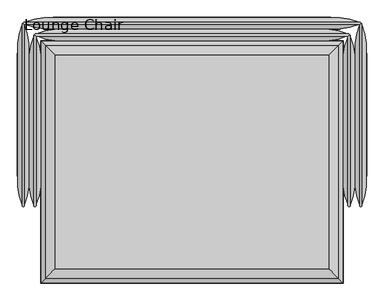
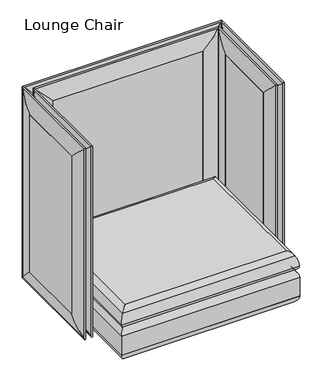
"""IFC4 building model written with IfcOpenShell, lengths in millimetres: furniture geometry, Lounge Chair."""

from ifc_helpers import new_model, si_unit, frame, origin, place, context, project, spatial, polyline, ellipse_curve, outline, extrude, source, transform, mapped, element, save
from ifc_brep_helpers import plane_surface, cylinder_surface, advanced_brep


def lounge_chair_bb9e51d9(model_context):
    return source(origin(), model_context, "Body", "SolidModel", [
        advanced_brep(
        [(476.25, -403.225, 329.9006118), (476.25, 352.425, 329.9006118), (-476.25, 352.425, 329.9006118), (-476.25, -403.225, 329.9006118), (476.25, 352.425, 142.5756118), (476.25, -403.225, 142.5756118), (-476.25, -403.225, 142.5756118), (-476.25, 352.425, 142.5756118), (495.2861528, 371.4611528, 291.910987), (495.2861528, -422.2611528, 291.910987), (495.3, 371.475, 181.4038342), (495.3, 371.475, 291.0723894), (495.3, -422.275, 291.0723894), (495.3, -422.275, 181.4038342), (495.2861528, 371.4611528, 180.5652366), (495.2861528, -422.2611528, 180.5652366), (-495.2861528, -422.2611528, 291.910987), (-495.3, -422.275, 291.0723894), (-495.3, -422.275, 181.4038342), (-495.2861528, -422.2611528, 180.5652366), (-495.2861528, 371.4611528, 291.910987), (-495.3, 371.475, 291.0723894), (-495.3, 371.475, 181.4038342), (-495.2861528, 371.4611528, 180.5652366)],
        [
            (0, 1),
            (1, 2),
            (2, 3),
            (3, 0),
            (4, 5),
            (5, 6),
            (6, 7),
            (7, 4),
            (8, 1, ellipse_curve(frame((444.5138472, 320.6888472, 290.2337918), z_axis=(0.7071067811865475, -0.7071067811865475, 0.0), x_axis=(0.7071067811865474, 0.7071067811865476, 0.0)), 71.842049, 50.8)),
            (0, 9, ellipse_curve(frame((444.5138472, -371.4888472, 290.2337918), z_axis=(0.7071067811865475, 0.7071067811865475, 0.0), x_axis=(-0.7071067811865474, 0.7071067811865476, 0.0)), 71.842049, 50.8)),
            (9, 8),
            (10, 11),
            (11, 12),
            (12, 13),
            (13, 10),
            (4, 14, ellipse_curve(frame((444.5138472, 320.6888472, 182.2424317), z_axis=(0.7071067811865475, -0.7071067811865475, 0.0), x_axis=(0.7071067811865474, 0.7071067811865476, 0.0)), 71.842049, 50.8)),
            (14, 15),
            (15, 5, ellipse_curve(frame((444.5138472, -371.4888472, 182.2424317), z_axis=(0.7071067811865475, 0.7071067811865475, 0.0), x_axis=(-0.7071067811865474, 0.7071067811865476, 0.0)), 71.842049, 50.8)),
            (3, 16, ellipse_curve(frame((-444.5138472, -371.4888472, 290.2337918), z_axis=(0.7071067811865475, -0.7071067811865475, 0.0), x_axis=(0.7071067811865476, 0.7071067811865474, 0.0)), 71.842049, 50.8)),
            (16, 9),
            (12, 17),
            (17, 18),
            (18, 13),
            (15, 19),
            (19, 6, ellipse_curve(frame((-444.5138472, -371.4888472, 182.2424317), z_axis=(0.7071067811865475, -0.7071067811865475, 0.0), x_axis=(0.7071067811865476, 0.7071067811865474, 0.0)), 71.842049, 50.8)),
            (2, 20, ellipse_curve(frame((-444.5138472, 320.6888472, 290.2337918), z_axis=(-0.7071067811865475, -0.7071067811865475, 0.0), x_axis=(0.7071067811865474, -0.7071067811865476, 0.0)), 71.842049, 50.8)),
            (20, 16),
            (17, 21),
            (21, 22),
            (22, 18),
            (19, 23),
            (23, 7, ellipse_curve(frame((-444.5138472, 320.6888472, 182.2424317), z_axis=(-0.7071067811865475, -0.7071067811865475, 0.0), x_axis=(0.7071067811865474, -0.7071067811865476, 0.0)), 71.842049, 50.8)),
            (8, 20),
            (10, 22),
            (21, 11),
            (23, 14),
            (9, 12, ellipse_curve(frame((469.9, -396.875, 291.0723894), z_axis=(0.7071067811865475, 0.7071067811865475, 0.0), x_axis=(-0.7071067811865474, 0.7071067811865476, 0.0)), 35.9210245, 25.4)),
            (11, 8, ellipse_curve(frame((469.9, 346.075, 291.0723894), z_axis=(0.7071067811865475, -0.7071067811865475, 0.0), x_axis=(0.7071067811865474, 0.7071067811865476, 0.0)), 35.9210245, 25.4)),
            (13, 15, ellipse_curve(frame((469.9, -396.875, 181.4038342), z_axis=(0.7071067811865475, 0.7071067811865475, 0.0), x_axis=(-0.7071067811865474, 0.7071067811865476, 0.0)), 35.9210245, 25.4)),
            (14, 10, ellipse_curve(frame((469.9, 346.075, 181.4038342), z_axis=(0.7071067811865475, -0.7071067811865475, 0.0), x_axis=(0.7071067811865474, 0.7071067811865476, 0.0)), 35.9210245, 25.4)),
            (16, 17, ellipse_curve(frame((-469.9, -396.875, 291.0723894), z_axis=(0.7071067811865475, -0.7071067811865475, 0.0), x_axis=(0.7071067811865476, 0.7071067811865474, 0.0)), 35.9210245, 25.4)),
            (18, 19, ellipse_curve(frame((-469.9, -396.875, 181.4038342), z_axis=(0.7071067811865475, -0.7071067811865475, 0.0), x_axis=(0.7071067811865476, 0.7071067811865474, 0.0)), 35.9210245, 25.4)),
            (20, 21, ellipse_curve(frame((-469.9, 346.075, 291.0723894), z_axis=(-0.7071067811865475, -0.7071067811865475, 0.0), x_axis=(0.7071067811865474, -0.7071067811865476, 0.0)), 35.9210245, 25.4)),
            (22, 23, ellipse_curve(frame((-469.9, 346.075, 181.4038342), z_axis=(-0.7071067811865475, -0.7071067811865475, 0.0), x_axis=(0.7071067811865474, -0.7071067811865476, 0.0)), 35.9210245, 25.4)),
        ],
        [
            plane_surface(frame((-476.25, 352.425, 329.9006118), z_axis=(0.0, 0.0, 1.0), x_axis=(-1.0, 0.0, 0.0))),
            plane_surface(frame((-476.25, 352.425, 142.5756118), z_axis=(0.0, 0.0, -1.0), x_axis=(1.0, 0.0, 0.0))),
            cylinder_surface(frame((444.5138472, 371.475, 290.2337918), z_axis=(0.0, 1.0, 0.0), x_axis=(1.0, 0.0, 0.0)), 50.8),
            plane_surface(frame((495.3, 371.475, 291.0723894), z_axis=(1.0, 0.0, 0.0), x_axis=(0.0, -1.0, 0.0))),
            cylinder_surface(frame((444.5138472, 371.475, 182.2424317), z_axis=(0.0, 1.0, 0.0), x_axis=(1.0, 0.0, 0.0)), 50.8),
            cylinder_surface(frame((495.3, -371.4888472, 290.2337918), z_axis=(1.0, 0.0, 0.0), x_axis=(0.0, -1.0, 0.0)), 50.8),
            plane_surface(frame((495.3, -422.275, 291.0723894), z_axis=(0.0, -1.0, 0.0), x_axis=(-1.0, 0.0, 0.0))),
            cylinder_surface(frame((495.3, -371.4888472, 182.2424317), z_axis=(1.0, 0.0, 0.0), x_axis=(0.0, -1.0, 0.0)), 50.8),
            cylinder_surface(frame((-444.5138472, -422.275, 290.2337918), z_axis=(0.0, -1.0, 0.0), x_axis=(-1.0, 0.0, 0.0)), 50.8),
            plane_surface(frame((-495.3, -422.275, 291.0723894), z_axis=(-1.0, 0.0, 0.0), x_axis=(0.0, 1.0, 0.0))),
            cylinder_surface(frame((-444.5138472, -422.275, 182.2424317), z_axis=(0.0, -1.0, 0.0), x_axis=(-1.0, 0.0, 0.0)), 50.8),
            cylinder_surface(frame((-495.3, 320.6888472, 290.2337918), z_axis=(-1.0, 0.0, 0.0), x_axis=(0.0, 1.0, 0.0)), 50.8),
            plane_surface(frame((-495.3, 371.475, 291.0723894), z_axis=(0.0, 1.0, 0.0), x_axis=(1.0, 0.0, 0.0))),
            cylinder_surface(frame((-495.3, 320.6888472, 182.2424317), z_axis=(-1.0, 0.0, 0.0), x_axis=(0.0, 1.0, 0.0)), 50.8),
            cylinder_surface(frame((469.9, 371.475, 291.0723894), z_axis=(0.0, 1.0, 0.0), x_axis=(1.0, 0.0, 0.0)), 25.4),
            cylinder_surface(frame((469.9, 371.475, 181.4038342), z_axis=(0.0, 1.0, 0.0), x_axis=(1.0, 0.0, 0.0)), 25.4),
            cylinder_surface(frame((495.3, -396.875, 291.0723894), z_axis=(1.0, 0.0, 0.0), x_axis=(0.0, -1.0, 0.0)), 25.4),
            cylinder_surface(frame((495.3, -396.875, 181.4038342), z_axis=(1.0, 0.0, 0.0), x_axis=(0.0, -1.0, 0.0)), 25.4),
            cylinder_surface(frame((-469.9, -422.275, 291.0723894), z_axis=(0.0, -1.0, 0.0), x_axis=(-1.0, 0.0, 0.0)), 25.4),
            cylinder_surface(frame((-469.9, -422.275, 181.4038342), z_axis=(0.0, -1.0, 0.0), x_axis=(-1.0, 0.0, 0.0)), 25.4),
            cylinder_surface(frame((-495.3, 346.075, 291.0723894), z_axis=(-1.0, 0.0, 0.0), x_axis=(0.0, 1.0, 0.0)), 25.4),
            cylinder_surface(frame((-495.3, 346.075, 181.4038342), z_axis=(-1.0, 0.0, 0.0), x_axis=(0.0, 1.0, 0.0)), 25.4),
        ],
        [
            (0, [[1, 2, 3, 4]]),
            (1, [[5, 6, 7, 8]]),
            (2, [[9, -1, 10, 11]]),
            (3, [[12, 13, 14, 15]]),
            (4, [[16, 17, 18, -5]]),
            (5, [[-10, -4, 19, 20]]),
            (6, [[-14, 21, 22, 23]]),
            (7, [[-18, 24, 25, -6]]),
            (8, [[-19, -3, 26, 27]]),
            (9, [[-22, 28, 29, 30]]),
            (10, [[-25, 31, 32, -7]]),
            (11, [[-9, 33, -26, -2]]),
            (12, [[-12, 34, -29, 35]]),
            (13, [[-16, -8, -32, 36]]),
            (14, [[-11, 37, -13, 38]]),
            (15, [[-15, 39, -17, 40]]),
            (16, [[-20, 41, -21, -37]]),
            (17, [[-23, 42, -24, -39]]),
            (18, [[-27, 43, -28, -41]]),
            (19, [[-30, 44, -31, -42]]),
            (20, [[-33, -38, -35, -43]]),
            (21, [[-34, -40, -36, -44]]),
        ],
    ),
        advanced_brep(
        [(468.7881705, -395.7631705, 330.2), (-468.7881705, -395.7631705, 330.2), (-468.7881705, 344.9631705, 330.2), (468.7881705, 344.9631705, 330.2), (494.1861903, 370.3611903, 355.9171647), (494.1861903, -421.1611903, 355.9171647), (-494.1861903, -421.1611903, 355.9171647), (-494.1861903, 370.3611903, 355.9171647), (447.675, -374.65, 434.975), (447.675, 323.85, 434.975), (-447.675, 323.85, 434.975), (-447.675, -374.65, 434.975), (478.9316677, 355.1066677, 412.0276231), (478.9316677, -405.9066677, 412.0276231), (-478.9316677, -405.9066677, 412.0276231), (-478.9316677, 355.1066677, 412.0276231)],
        [
            (0, 1),
            (1, 2),
            (2, 3),
            (3, 0),
            (3, 4, ellipse_curve(frame((468.7881705, 344.9631705, 355.6), z_axis=(0.7071067811865478, -0.7071067811865471, 0.0), x_axis=(0.707106781186547, 0.707106781186548, 0.0)), 35.9210245, 25.4)),
            (4, 5),
            (5, 0, ellipse_curve(frame((468.7881705, -395.7631705, 355.6), z_axis=(0.7071067811865471, 0.7071067811865478, 0.0), x_axis=(-0.7071067811865476, 0.7071067811865474, 0.0)), 35.9210245, 25.4)),
            (5, 6),
            (6, 1, ellipse_curve(frame((-468.7881705, -395.7631705, 355.6), z_axis=(0.7071067811865478, -0.7071067811865471, 0.0), x_axis=(0.7071067811865474, 0.7071067811865476, 0.0)), 35.9210245, 25.4)),
            (6, 7),
            (7, 2, ellipse_curve(frame((-468.7881705, 344.9631705, 355.6), z_axis=(-0.7071067811865471, -0.7071067811865478, 0.0), x_axis=(0.7071067811865476, -0.7071067811865474, 0.0)), 35.9210245, 25.4)),
            (7, 4),
            (8, 9),
            (9, 10),
            (10, 11),
            (11, 8),
            (12, 9, ellipse_curve(frame((437.5481381, 313.7231381, 388.4201083), z_axis=(0.7071067811865478, -0.7071067811865471, 0.0), x_axis=(0.707106781186547, 0.707106781186548, 0.0)), 67.3782053, 47.6435859)),
            (8, 13, ellipse_curve(frame((437.5481381, -364.5231381, 388.4201083), z_axis=(0.7071067811865471, 0.7071067811865478, 0.0), x_axis=(-0.7071067811865476, 0.7071067811865474, 0.0)), 67.3782053, 47.6435859)),
            (13, 12),
            (4, 12, ellipse_curve(frame((378.0282966, 254.2032966, 354.4666114), z_axis=(0.7071067811865478, -0.7071067811865471, 0.0), x_axis=(0.707106781186547, 0.707106781186548, 0.0)), 164.2848767, 116.1669504)),
            (13, 5, ellipse_curve(frame((378.0282966, -305.0032966, 354.4666114), z_axis=(0.7071067811865471, 0.7071067811865478, 0.0), x_axis=(-0.7071067811865476, 0.7071067811865474, 0.0)), 164.2848767, 116.1669504)),
            (11, 14, ellipse_curve(frame((-437.5481381, -364.5231381, 388.4201083), z_axis=(0.7071067811865478, -0.7071067811865471, 0.0), x_axis=(0.7071067811865474, 0.7071067811865476, 0.0)), 67.3782053, 47.6435859)),
            (14, 13),
            (14, 6, ellipse_curve(frame((-378.0282966, -305.0032966, 354.4666114), z_axis=(0.7071067811865478, -0.7071067811865471, 0.0), x_axis=(0.7071067811865474, 0.7071067811865476, 0.0)), 164.2848767, 116.1669504)),
            (10, 15, ellipse_curve(frame((-437.5481381, 313.7231381, 388.4201083), z_axis=(-0.7071067811865471, -0.7071067811865478, 0.0), x_axis=(0.7071067811865476, -0.7071067811865474, 0.0)), 67.3782053, 47.6435859)),
            (15, 14),
            (15, 7, ellipse_curve(frame((-378.0282966, 254.2032966, 354.4666114), z_axis=(-0.7071067811865471, -0.7071067811865478, 0.0), x_axis=(0.7071067811865476, -0.7071067811865474, 0.0)), 164.2848767, 116.1669504)),
            (12, 15),
        ],
        [
            plane_surface(frame((-468.7881705, 344.9631705, 330.2), z_axis=(0.0, 0.0, -1.0), x_axis=(1.0, 0.0, 0.0))),
            cylinder_surface(frame((468.7881705, 371.475, 355.6), z_axis=(0.0, 1.0000000000000002, 0.0), x_axis=(1.0000000000000002, 0.0, 0.0)), 25.4),
            cylinder_surface(frame((495.3, -395.7631705, 355.6), z_axis=(1.0000000000000002, 0.0, 0.0), x_axis=(0.0, -1.0000000000000002, 0.0)), 25.4),
            cylinder_surface(frame((-468.7881705, -422.275, 355.6), z_axis=(0.0, -1.0000000000000002, 0.0), x_axis=(-1.0000000000000002, 0.0, 0.0)), 25.4),
            cylinder_surface(frame((-495.3, 344.9631705, 355.6), z_axis=(-1.0000000000000002, 0.0, 0.0), x_axis=(0.0, 1.0000000000000002, 0.0)), 25.4),
            plane_surface(frame((-447.675, 323.85, 434.975), z_axis=(0.0, 0.0, 1.0), x_axis=(-1.0, 0.0, 0.0))),
            cylinder_surface(frame((437.5481381, 371.475, 388.4201083), z_axis=(0.0, 1.0000000000000002, 0.0), x_axis=(1.0000000000000002, 0.0, 0.0)), 47.6435859),
            cylinder_surface(frame((378.0282966, 371.475, 354.4666114), z_axis=(0.0, 1.0000000000000002, 0.0), x_axis=(1.0000000000000002, 0.0, 0.0)), 116.1669504),
            cylinder_surface(frame((495.3, -364.5231381, 388.4201083), z_axis=(1.0000000000000002, 0.0, 0.0), x_axis=(0.0, -1.0000000000000002, 0.0)), 47.6435859),
            cylinder_surface(frame((495.3, -305.0032966, 354.4666114), z_axis=(1.0000000000000002, 0.0, 0.0), x_axis=(0.0, -1.0000000000000002, 0.0)), 116.1669504),
            cylinder_surface(frame((-437.5481381, -422.275, 388.4201083), z_axis=(0.0, -1.0000000000000002, 0.0), x_axis=(-1.0000000000000002, 0.0, 0.0)), 47.6435859),
            cylinder_surface(frame((-378.0282966, -422.275, 354.4666114), z_axis=(0.0, -1.0000000000000002, 0.0), x_axis=(-1.0000000000000002, 0.0, 0.0)), 116.1669504),
            cylinder_surface(frame((-495.3, 313.7231381, 388.4201083), z_axis=(-1.0000000000000002, 0.0, 0.0), x_axis=(0.0, 1.0000000000000002, 0.0)), 47.6435859),
            cylinder_surface(frame((-495.3, 254.2032966, 354.4666114), z_axis=(-1.0000000000000002, 0.0, 0.0), x_axis=(0.0, 1.0000000000000002, 0.0)), 116.1669504),
        ],
        [
            (0, [[1, 2, 3, 4]]),
            (1, [[-4, 5, 6, 7]]),
            (2, [[-1, -7, 8, 9]]),
            (3, [[-2, -9, 10, 11]]),
            (4, [[-3, -11, 12, -5]]),
            (5, [[13, 14, 15, 16]]),
            (6, [[17, -13, 18, 19]]),
            (7, [[-6, 20, -19, 21]]),
            (8, [[-18, -16, 22, 23]]),
            (9, [[-8, -21, -23, 24]]),
            (10, [[-22, -15, 25, 26]]),
            (11, [[-10, -24, -26, 27]]),
            (12, [[-17, 28, -25, -14]]),
            (13, [[-12, -27, -28, -20]]),
        ],
    ),
        advanced_brep(
        [(-454.025, 410.5220019, 1163.5628297), (-547.1563317, 425.266915, 1256.6941614), (-547.1563317, 425.266915, 145.8277373), (-454.025, 410.5220019, 238.959069), (-454.025, 446.7279981, 1163.5628297), (-454.025, 446.7279981, 238.959069), (-547.1563317, 431.983085, 1256.6941614), (-547.1563317, 431.983085, 145.8277373), (547.1563317, 425.266915, 145.8277373), (454.025, 410.5220019, 238.959069), (454.025, 446.7279981, 238.959069), (547.1563317, 431.983085, 145.8277373), (547.1563317, 425.266915, 1256.6941614), (454.025, 410.5220019, 1163.5628297), (454.025, 446.7279981, 1163.5628297), (547.1563317, 431.983085, 1256.6941614)],
        [
            (0, 1, ellipse_curve(frame((-472.7217286, 593.9193158, 1182.2595584), z_axis=(-0.7071067811865475, 0.0, -0.7071067811865475), x_axis=(-0.7071067811865474, 0.0, 0.7071067811865476)), 260.707278, 184.3478842)),
            (1, 2),
            (2, 3, ellipse_curve(frame((-472.7217286, 593.9193158, 220.2623404), z_axis=(-0.7071067811865475, 0.0, 0.7071067811865475), x_axis=(0.7071067811865474, 0.0, 0.7071067811865476)), 260.707278, 184.3478842)),
            (3, 0),
            (4, 0),
            (3, 5),
            (5, 4),
            (6, 4, ellipse_curve(frame((-472.7217286, 263.3306842, 1182.2595584), z_axis=(-0.7071067811865475, 0.0, -0.7071067811865475), x_axis=(-0.7071067811865474, 0.0, 0.7071067811865476)), 260.707278, 184.3478842)),
            (5, 7, ellipse_curve(frame((-472.7217286, 263.3306842, 220.2623404), z_axis=(-0.7071067811865475, 0.0, 0.7071067811865475), x_axis=(0.7071067811865474, 0.0, 0.7071067811865476)), 260.707278, 184.3478842)),
            (7, 6),
            (1, 6, ellipse_curve(frame((-548.7744455, 428.625, 1258.3122753), z_axis=(-0.7071067811865475, 0.0, -0.7071067811865475), x_axis=(-0.7071067811865474, 0.0, 0.7071067811865476)), 5.2716273, 3.7276034)),
            (7, 2, ellipse_curve(frame((-548.7744455, 428.625, 144.2096235), z_axis=(-0.7071067811865475, 0.0, 0.7071067811865475), x_axis=(0.7071067811865474, 0.0, 0.7071067811865476)), 5.2716273, 3.7276034)),
            (2, 8),
            (8, 9, ellipse_curve(frame((472.7217286, 593.9193158, 220.2623404), z_axis=(-0.7071067811865475, 0.0, -0.7071067811865475), x_axis=(-0.7071067811865476, 0.0, 0.7071067811865474)), 260.707278, 184.3478842)),
            (9, 3),
            (9, 10),
            (10, 5),
            (10, 11, ellipse_curve(frame((472.7217286, 263.3306842, 220.2623404), z_axis=(-0.7071067811865475, 0.0, -0.7071067811865475), x_axis=(-0.7071067811865476, 0.0, 0.7071067811865474)), 260.707278, 184.3478842)),
            (11, 7),
            (11, 8, ellipse_curve(frame((548.7744455, 428.625, 144.2096235), z_axis=(-0.7071067811865475, 0.0, -0.7071067811865475), x_axis=(-0.7071067811865476, 0.0, 0.7071067811865474)), 5.2716273, 3.7276034)),
            (8, 12),
            (12, 13, ellipse_curve(frame((472.7217286, 593.9193158, 1182.2595584), z_axis=(0.7071067811865475, 0.0, -0.7071067811865475), x_axis=(-0.7071067811865474, 0.0, -0.7071067811865476)), 260.707278, 184.3478842)),
            (13, 9),
            (13, 14),
            (14, 10),
            (14, 15, ellipse_curve(frame((472.7217286, 263.3306842, 1182.2595584), z_axis=(0.7071067811865475, 0.0, -0.7071067811865475), x_axis=(-0.7071067811865474, 0.0, -0.7071067811865476)), 260.707278, 184.3478842)),
            (15, 11),
            (15, 12, ellipse_curve(frame((548.7744455, 428.625, 1258.3122753), z_axis=(0.7071067811865475, 0.0, -0.7071067811865475), x_axis=(-0.7071067811865474, 0.0, -0.7071067811865476)), 5.2716273, 3.7276034)),
            (12, 1),
            (0, 13),
            (4, 14),
            (6, 15),
        ],
        [
            cylinder_surface(frame((-472.7217286, 593.9193158, 1163.5628297), z_axis=(0.0, 0.0, 1.0), x_axis=(0.0, -1.0000000000000002, 0.0)), 184.3478842),
            plane_surface(frame((-454.025, 410.5220019, 1163.5628297), z_axis=(1.0, 0.0, 0.0), x_axis=(0.0, 0.0, -1.0))),
            cylinder_surface(frame((-472.7217286, 263.3306842, 1163.5628297), z_axis=(0.0, 0.0, 1.0), x_axis=(0.0, -1.0000000000000002, 0.0)), 184.3478842),
            cylinder_surface(frame((-548.7744455, 428.625, 1163.5628297), z_axis=(0.0, 0.0, 1.0), x_axis=(0.0, -1.0000000000000002, 0.0)), 3.7276034),
            cylinder_surface(frame((-454.025, 593.9193158, 220.2623404), z_axis=(-1.0000000000000002, 0.0, 0.0), x_axis=(0.0, -1.0000000000000002, 0.0)), 184.3478842),
            plane_surface(frame((-454.025, 410.5220019, 238.959069), z_axis=(0.0, 0.0, 1.0), x_axis=(1.0, 0.0, 0.0))),
            cylinder_surface(frame((-454.025, 263.3306842, 220.2623404), z_axis=(-1.0000000000000002, 0.0, 0.0), x_axis=(0.0, -1.0000000000000002, 0.0)), 184.3478842),
            cylinder_surface(frame((-454.025, 428.625, 144.2096235), z_axis=(-1.0000000000000002, 0.0, 0.0), x_axis=(0.0, -1.0000000000000002, 0.0)), 3.7276034),
            cylinder_surface(frame((472.7217286, 593.9193158, 238.959069), z_axis=(0.0, 0.0, -1.0), x_axis=(0.0, -1.0000000000000002, 0.0)), 184.3478842),
            plane_surface(frame((454.025, 410.5220019, 238.959069), z_axis=(-1.0, 0.0, 0.0), x_axis=(0.0, 0.0, 1.0))),
            cylinder_surface(frame((472.7217286, 263.3306842, 238.959069), z_axis=(0.0, 0.0, -1.0), x_axis=(0.0, -1.0000000000000002, 0.0)), 184.3478842),
            cylinder_surface(frame((548.7744455, 428.625, 238.959069), z_axis=(0.0, 0.0, -1.0), x_axis=(0.0, -1.0000000000000002, 0.0)), 3.7276034),
            cylinder_surface(frame((454.025, 593.9193158, 1182.2595584), z_axis=(1.0000000000000002, 0.0, 0.0), x_axis=(0.0, -1.0000000000000002, 0.0)), 184.3478842),
            plane_surface(frame((454.025, 410.5220019, 1163.5628297), z_axis=(0.0, 0.0, -1.0), x_axis=(-1.0, 0.0, 0.0))),
            cylinder_surface(frame((454.025, 263.3306842, 1182.2595584), z_axis=(1.0000000000000002, 0.0, 0.0), x_axis=(0.0, -1.0000000000000002, 0.0)), 184.3478842),
            cylinder_surface(frame((454.025, 428.625, 1258.3122753), z_axis=(1.0000000000000002, 0.0, 0.0), x_axis=(0.0, -1.0000000000000002, 0.0)), 3.7276034),
        ],
        [
            (0, [[1, 2, 3, 4]]),
            (1, [[5, -4, 6, 7]]),
            (2, [[8, -7, 9, 10]]),
            (3, [[11, -10, 12, -2]]),
            (4, [[-3, 13, 14, 15]]),
            (5, [[-6, -15, 16, 17]]),
            (6, [[-9, -17, 18, 19]]),
            (7, [[-12, -19, 20, -13]]),
            (8, [[-14, 21, 22, 23]]),
            (9, [[-16, -23, 24, 25]]),
            (10, [[-18, -25, 26, 27]]),
            (11, [[-20, -27, 28, -21]]),
            (12, [[-22, 29, -1, 30]]),
            (13, [[-24, -30, -5, 31]]),
            (14, [[-26, -31, -8, 32]]),
            (15, [[-28, -32, -11, -29]]),
        ],
    ),
        extrude(outline(polyline([(454.025, 447.675), (454.025, 409.575), (-454.025, 409.575), (-454.025, 447.675), (454.025, 447.675)])), frame((0.0, 0.0, 238.959069), z_axis=(0.0, 0.0, 1.0), x_axis=(1.0, 0.0, 0.0)), (0.0, 0.0, 1.0), 924.6037607),
        advanced_brep(
        [(-415.925, 372.4220019, 1163.5628297), (-509.0563317, 387.166915, 1256.6941614), (-509.0563317, 387.166915, 145.8277373), (-415.925, 372.4220019, 238.959069), (-415.925, 408.6279981, 1163.5628297), (-415.925, 408.6279981, 238.959069), (-509.0563317, 393.883085, 1256.6941614), (-509.0563317, 393.883085, 145.8277373), (509.0563317, 387.166915, 145.8277373), (415.925, 372.4220019, 238.959069), (415.925, 408.6279981, 238.959069), (509.0563317, 393.883085, 145.8277373), (509.0563317, 387.166915, 1256.6941614), (415.925, 372.4220019, 1163.5628297), (415.925, 408.6279981, 1163.5628297), (509.0563317, 393.883085, 1256.6941614)],
        [
            (0, 1, ellipse_curve(frame((-434.6217286, 555.8193158, 1182.2595584), z_axis=(-0.7071067811865475, 0.0, -0.7071067811865475), x_axis=(-0.7071067811865474, 0.0, 0.7071067811865476)), 260.707278, 184.3478842)),
            (1, 2),
            (2, 3, ellipse_curve(frame((-434.6217286, 555.8193158, 220.2623404), z_axis=(-0.7071067811865475, 0.0, 0.7071067811865475), x_axis=(0.7071067811865474, 0.0, 0.7071067811865476)), 260.707278, 184.3478842)),
            (3, 0),
            (4, 0),
            (3, 5),
            (5, 4),
            (6, 4, ellipse_curve(frame((-434.6217286, 225.2306842, 1182.2595584), z_axis=(-0.7071067811865475, 0.0, -0.7071067811865475), x_axis=(-0.7071067811865474, 0.0, 0.7071067811865476)), 260.707278, 184.3478842)),
            (5, 7, ellipse_curve(frame((-434.6217286, 225.2306842, 220.2623404), z_axis=(-0.7071067811865475, 0.0, 0.7071067811865475), x_axis=(0.7071067811865474, 0.0, 0.7071067811865476)), 260.707278, 184.3478842)),
            (7, 6),
            (1, 6, ellipse_curve(frame((-510.6744455, 390.525, 1258.3122753), z_axis=(-0.7071067811865475, 0.0, -0.7071067811865475), x_axis=(-0.7071067811865474, 0.0, 0.7071067811865476)), 5.2716273, 3.7276034)),
            (7, 2, ellipse_curve(frame((-510.6744455, 390.525, 144.2096235), z_axis=(-0.7071067811865475, 0.0, 0.7071067811865475), x_axis=(0.7071067811865474, 0.0, 0.7071067811865476)), 5.2716273, 3.7276034)),
            (2, 8),
            (8, 9, ellipse_curve(frame((434.6217286, 555.8193158, 220.2623404), z_axis=(-0.7071067811865475, 0.0, -0.7071067811865475), x_axis=(-0.7071067811865476, 0.0, 0.7071067811865474)), 260.707278, 184.3478842)),
            (9, 3),
            (9, 10),
            (10, 5),
            (10, 11, ellipse_curve(frame((434.6217286, 225.2306842, 220.2623404), z_axis=(-0.7071067811865475, 0.0, -0.7071067811865475), x_axis=(-0.7071067811865476, 0.0, 0.7071067811865474)), 260.707278, 184.3478842)),
            (11, 7),
            (11, 8, ellipse_curve(frame((510.6744455, 390.525, 144.2096235), z_axis=(-0.7071067811865475, 0.0, -0.7071067811865475), x_axis=(-0.7071067811865476, 0.0, 0.7071067811865474)), 5.2716273, 3.7276034)),
            (8, 12),
            (12, 13, ellipse_curve(frame((434.6217286, 555.8193158, 1182.2595584), z_axis=(0.7071067811865475, 0.0, -0.7071067811865475), x_axis=(-0.7071067811865474, 0.0, -0.7071067811865476)), 260.707278, 184.3478842)),
            (13, 9),
            (13, 14),
            (14, 10),
            (14, 15, ellipse_curve(frame((434.6217286, 225.2306842, 1182.2595584), z_axis=(0.7071067811865475, 0.0, -0.7071067811865475), x_axis=(-0.7071067811865474, 0.0, -0.7071067811865476)), 260.707278, 184.3478842)),
            (15, 11),
            (15, 12, ellipse_curve(frame((510.6744455, 390.525, 1258.3122753), z_axis=(0.7071067811865475, 0.0, -0.7071067811865475), x_axis=(-0.7071067811865474, 0.0, -0.7071067811865476)), 5.2716273, 3.7276034)),
            (12, 1),
            (0, 13),
            (4, 14),
            (6, 15),
        ],
        [
            cylinder_surface(frame((-434.6217286, 555.8193158, 1163.5628297), z_axis=(0.0, 0.0, 1.0), x_axis=(0.0, -1.0000000000000002, 0.0)), 184.3478842),
            plane_surface(frame((-415.925, 372.4220019, 1163.5628297), z_axis=(1.0, 0.0, 0.0), x_axis=(0.0, 0.0, -1.0))),
            cylinder_surface(frame((-434.6217286, 225.2306842, 1163.5628297), z_axis=(0.0, 0.0, 1.0), x_axis=(0.0, -1.0000000000000002, 0.0)), 184.3478842),
            cylinder_surface(frame((-510.6744455, 390.525, 1163.5628297), z_axis=(0.0, 0.0, 1.0), x_axis=(0.0, -1.0000000000000002, 0.0)), 3.7276034),
            cylinder_surface(frame((-415.925, 555.8193158, 220.2623404), z_axis=(-1.0000000000000002, 0.0, 0.0), x_axis=(0.0, -1.0000000000000002, 0.0)), 184.3478842),
            plane_surface(frame((-415.925, 372.4220019, 238.959069), z_axis=(0.0, 0.0, 1.0), x_axis=(1.0, 0.0, 0.0))),
            cylinder_surface(frame((-415.925, 225.2306842, 220.2623404), z_axis=(-1.0000000000000002, 0.0, 0.0), x_axis=(0.0, -1.0000000000000002, 0.0)), 184.3478842),
            cylinder_surface(frame((-415.925, 390.525, 144.2096235), z_axis=(-1.0000000000000002, 0.0, 0.0), x_axis=(0.0, -1.0000000000000002, 0.0)), 3.7276034),
            cylinder_surface(frame((434.6217286, 555.8193158, 238.959069), z_axis=(0.0, 0.0, -1.0), x_axis=(0.0, -1.0000000000000002, 0.0)), 184.3478842),
            plane_surface(frame((415.925, 372.4220019, 238.959069), z_axis=(-1.0, 0.0, 0.0), x_axis=(0.0, 0.0, 1.0))),
            cylinder_surface(frame((434.6217286, 225.2306842, 238.959069), z_axis=(0.0, 0.0, -1.0), x_axis=(0.0, -1.0000000000000002, 0.0)), 184.3478842),
            cylinder_surface(frame((510.6744455, 390.525, 238.959069), z_axis=(0.0, 0.0, -1.0), x_axis=(0.0, -1.0000000000000002, 0.0)), 3.7276034),
            cylinder_surface(frame((415.925, 555.8193158, 1182.2595584), z_axis=(1.0000000000000002, 0.0, 0.0), x_axis=(0.0, -1.0000000000000002, 0.0)), 184.3478842),
            plane_surface(frame((415.925, 372.4220019, 1163.5628297), z_axis=(0.0, 0.0, -1.0), x_axis=(-1.0, 0.0, 0.0))),
            cylinder_surface(frame((415.925, 225.2306842, 1182.2595584), z_axis=(1.0000000000000002, 0.0, 0.0), x_axis=(0.0, -1.0000000000000002, 0.0)), 184.3478842),
            cylinder_surface(frame((415.925, 390.525, 1258.3122753), z_axis=(1.0000000000000002, 0.0, 0.0), x_axis=(0.0, -1.0000000000000002, 0.0)), 3.7276034),
        ],
        [
            (0, [[1, 2, 3, 4]]),
            (1, [[5, -4, 6, 7]]),
            (2, [[8, -7, 9, 10]]),
            (3, [[11, -10, 12, -2]]),
            (4, [[-3, 13, 14, 15]]),
            (5, [[-6, -15, 16, 17]]),
            (6, [[-9, -17, 18, 19]]),
            (7, [[-12, -19, 20, -13]]),
            (8, [[-14, 21, 22, 23]]),
            (9, [[-16, -23, 24, 25]]),
            (10, [[-18, -25, 26, 27]]),
            (11, [[-20, -27, 28, -21]]),
            (12, [[-22, 29, -1, 30]]),
            (13, [[-24, -30, -5, 31]]),
            (14, [[-26, -31, -8, 32]]),
            (15, [[-28, -32, -11, -29]]),
        ],
    ),
        extrude(outline(polyline([(415.925, 409.575), (415.925, 371.475), (-415.925, 371.475), (-415.925, 409.575), (415.925, 409.575)])), frame((0.0, 0.0, 238.959069), z_axis=(0.0, 0.0, 1.0), x_axis=(1.0, 0.0, 0.0)), (0.0, 0.0, 1.0), 924.6037607),
        advanced_brep(
        [(496.2470019, -73.025, 1163.5628297), (496.2470019, -73.025, 238.959069), (510.991915, -166.1563317, 145.8277373), (510.991915, -166.1563317, 1256.6941614), (532.4529981, -73.025, 1163.5628297), (532.4529981, -73.025, 238.959069), (517.708085, -166.1563317, 1256.6941614), (517.708085, -166.1563317, 145.8277373), (496.2470019, 292.1, 238.959069), (510.991915, 385.2313317, 145.8277373), (532.4529981, 292.1, 238.959069), (517.708085, 385.2313317, 145.8277373), (496.2470019, 292.1, 1163.5628297), (510.991915, 385.2313317, 1256.6941614), (532.4529981, 292.1, 1163.5628297), (517.708085, 385.2313317, 1256.6941614)],
        [
            (0, 1),
            (1, 2, ellipse_curve(frame((679.6443158, -91.7217286, 220.2623404), z_axis=(0.0, -0.7071067811865475, 0.7071067811865475), x_axis=(0.0, 0.7071067811865474, 0.7071067811865476)), 260.707278, 184.3478842)),
            (2, 3),
            (3, 0, ellipse_curve(frame((679.6443158, -91.7217286, 1182.2595584), z_axis=(0.0, -0.7071067811865475, -0.7071067811865475), x_axis=(0.0, -0.7071067811865474, 0.7071067811865476)), 260.707278, 184.3478842)),
            (4, 5),
            (5, 1),
            (0, 4),
            (6, 7),
            (7, 5, ellipse_curve(frame((349.0556842, -91.7217286, 220.2623404), z_axis=(0.0, -0.7071067811865475, 0.7071067811865475), x_axis=(0.0, 0.7071067811865474, 0.7071067811865476)), 260.707278, 184.3478842)),
            (4, 6, ellipse_curve(frame((349.0556842, -91.7217286, 1182.2595584), z_axis=(0.0, -0.7071067811865475, -0.7071067811865475), x_axis=(0.0, -0.7071067811865474, 0.7071067811865476)), 260.707278, 184.3478842)),
            (2, 7, ellipse_curve(frame((514.35, -167.7744455, 144.2096235), z_axis=(0.0, -0.7071067811865475, 0.7071067811865475), x_axis=(0.0, 0.7071067811865474, 0.7071067811865476)), 5.2716273, 3.7276034)),
            (6, 3, ellipse_curve(frame((514.35, -167.7744455, 1258.3122753), z_axis=(0.0, -0.7071067811865475, -0.7071067811865475), x_axis=(0.0, -0.7071067811865474, 0.7071067811865476)), 5.2716273, 3.7276034)),
            (1, 8),
            (8, 9, ellipse_curve(frame((679.6443158, 310.7967286, 220.2623404), z_axis=(0.0, -0.7071067811865475, -0.7071067811865475), x_axis=(0.0, -0.7071067811865476, 0.7071067811865474)), 260.707278, 184.3478842)),
            (9, 2),
            (5, 10),
            (10, 8),
            (7, 11),
            (11, 10, ellipse_curve(frame((349.0556842, 310.7967286, 220.2623404), z_axis=(0.0, -0.7071067811865475, -0.7071067811865475), x_axis=(0.0, -0.7071067811865476, 0.7071067811865474)), 260.707278, 184.3478842)),
            (9, 11, ellipse_curve(frame((514.35, 386.8494455, 144.2096235), z_axis=(0.0, -0.7071067811865475, -0.7071067811865475), x_axis=(0.0, -0.7071067811865476, 0.7071067811865474)), 5.2716273, 3.7276034)),
            (8, 12),
            (12, 13, ellipse_curve(frame((679.6443158, 310.7967286, 1182.2595584), z_axis=(0.0, 0.7071067811865475, -0.7071067811865475), x_axis=(0.0, -0.7071067811865474, -0.7071067811865476)), 260.707278, 184.3478842)),
            (13, 9),
            (10, 14),
            (14, 12),
            (11, 15),
            (15, 14, ellipse_curve(frame((349.0556842, 310.7967286, 1182.2595584), z_axis=(0.0, 0.7071067811865475, -0.7071067811865475), x_axis=(0.0, -0.7071067811865474, -0.7071067811865476)), 260.707278, 184.3478842)),
            (13, 15, ellipse_curve(frame((514.35, 386.8494455, 1258.3122753), z_axis=(0.0, 0.7071067811865475, -0.7071067811865475), x_axis=(0.0, -0.7071067811865474, -0.7071067811865476)), 5.2716273, 3.7276034)),
            (12, 0),
            (3, 13),
            (14, 4),
            (15, 6),
        ],
        [
            cylinder_surface(frame((679.6443158, -91.7217286, 1163.5628297), z_axis=(0.0, 0.0, 1.0), x_axis=(-1.0000000000000002, 0.0, 0.0)), 184.3478842),
            plane_surface(frame((496.2470019, -73.025, 1163.5628297), z_axis=(0.0, 1.0, 0.0), x_axis=(0.0, 0.0, -1.0))),
            cylinder_surface(frame((349.0556842, -91.7217286, 1163.5628297), z_axis=(0.0, 0.0, 1.0), x_axis=(-1.0000000000000002, 0.0, 0.0)), 184.3478842),
            cylinder_surface(frame((514.35, -167.7744455, 1163.5628297), z_axis=(0.0, 0.0, 1.0), x_axis=(-1.0000000000000002, 0.0, 0.0)), 3.7276034),
            cylinder_surface(frame((679.6443158, -73.025, 220.2623404), z_axis=(0.0, -1.0000000000000002, 0.0), x_axis=(-1.0000000000000002, 0.0, 0.0)), 184.3478842),
            plane_surface(frame((496.2470019, -73.025, 238.959069), z_axis=(0.0, 0.0, 1.0), x_axis=(0.0, 1.0, 0.0))),
            cylinder_surface(frame((349.0556842, -73.025, 220.2623404), z_axis=(0.0, -1.0000000000000002, 0.0), x_axis=(-1.0000000000000002, 0.0, 0.0)), 184.3478842),
            cylinder_surface(frame((514.35, -73.025, 144.2096235), z_axis=(0.0, -1.0000000000000002, 0.0), x_axis=(-1.0000000000000002, 0.0, 0.0)), 3.7276034),
            cylinder_surface(frame((679.6443158, 310.7967286, 238.959069), z_axis=(0.0, 0.0, -1.0), x_axis=(-1.0000000000000002, 0.0, 0.0)), 184.3478842),
            plane_surface(frame((496.2470019, 292.1, 238.959069), z_axis=(0.0, -1.0, 0.0), x_axis=(0.0, 0.0, 1.0))),
            cylinder_surface(frame((349.0556842, 310.7967286, 238.959069), z_axis=(0.0, 0.0, -1.0), x_axis=(-1.0000000000000002, 0.0, 0.0)), 184.3478842),
            cylinder_surface(frame((514.35, 386.8494455, 238.959069), z_axis=(0.0, 0.0, -1.0), x_axis=(-1.0000000000000002, 0.0, 0.0)), 3.7276034),
            cylinder_surface(frame((679.6443158, 292.1, 1182.2595584), z_axis=(0.0, 1.0000000000000002, 0.0), x_axis=(-1.0000000000000002, 0.0, 0.0)), 184.3478842),
            plane_surface(frame((496.2470019, 292.1, 1163.5628297), z_axis=(0.0, 0.0, -1.0), x_axis=(0.0, -1.0, 0.0))),
            cylinder_surface(frame((349.0556842, 292.1, 1182.2595584), z_axis=(0.0, 1.0000000000000002, 0.0), x_axis=(-1.0000000000000002, 0.0, 0.0)), 184.3478842),
            cylinder_surface(frame((514.35, 292.1, 1258.3122753), z_axis=(0.0, 1.0000000000000002, 0.0), x_axis=(-1.0000000000000002, 0.0, 0.0)), 3.7276034),
        ],
        [
            (0, [[1, 2, 3, 4]]),
            (1, [[5, 6, -1, 7]]),
            (2, [[8, 9, -5, 10]]),
            (3, [[-3, 11, -8, 12]]),
            (4, [[13, 14, 15, -2]]),
            (5, [[16, 17, -13, -6]]),
            (6, [[18, 19, -16, -9]]),
            (7, [[-15, 20, -18, -11]]),
            (8, [[21, 22, 23, -14]]),
            (9, [[24, 25, -21, -17]]),
            (10, [[26, 27, -24, -19]]),
            (11, [[-23, 28, -26, -20]]),
            (12, [[29, -4, 30, -22]]),
            (13, [[31, -7, -29, -25]]),
            (14, [[32, -10, -31, -27]]),
            (15, [[-30, -12, -32, -28]]),
        ],
    ),
        extrude(outline(polyline([(533.4, 292.1), (533.4, -73.025), (495.3, -73.025), (495.3, 292.1), (533.4, 292.1)])), frame((0.0, 0.0, 238.959069), z_axis=(0.0, 0.0, 1.0), x_axis=(1.0, 0.0, 0.0)), (0.0, 0.0, 1.0), 924.6037607),
        advanced_brep(
        [(534.3470019, -73.025, 1163.5628297), (534.3470019, -73.025, 238.959069), (549.091915, -166.1563317, 145.8277373), (549.091915, -166.1563317, 1256.6941614), (570.5529981, -73.025, 1163.5628297), (570.5529981, -73.025, 238.959069), (555.808085, -166.1563317, 1256.6941614), (555.808085, -166.1563317, 145.8277373), (534.3470019, 330.2, 238.959069), (549.091915, 423.3313317, 145.8277373), (570.5529981, 330.2, 238.959069), (555.808085, 423.3313317, 145.8277373), (534.3470019, 330.2, 1163.5628297), (549.091915, 423.3313317, 1256.6941614), (570.5529981, 330.2, 1163.5628297), (555.808085, 423.3313317, 1256.6941614)],
        [
            (0, 1),
            (1, 2, ellipse_curve(frame((717.7443158, -91.7217286, 220.2623404), z_axis=(0.0, -0.7071067811865475, 0.7071067811865475), x_axis=(0.0, 0.7071067811865474, 0.7071067811865476)), 260.707278, 184.3478842)),
            (2, 3),
            (3, 0, ellipse_curve(frame((717.7443158, -91.7217286, 1182.2595584), z_axis=(0.0, -0.7071067811865475, -0.7071067811865475), x_axis=(0.0, -0.7071067811865474, 0.7071067811865476)), 260.707278, 184.3478842)),
            (4, 5),
            (5, 1),
            (0, 4),
            (6, 7),
            (7, 5, ellipse_curve(frame((387.1556842, -91.7217286, 220.2623404), z_axis=(0.0, -0.7071067811865475, 0.7071067811865475), x_axis=(0.0, 0.7071067811865474, 0.7071067811865476)), 260.707278, 184.3478842)),
            (4, 6, ellipse_curve(frame((387.1556842, -91.7217286, 1182.2595584), z_axis=(0.0, -0.7071067811865475, -0.7071067811865475), x_axis=(0.0, -0.7071067811865474, 0.7071067811865476)), 260.707278, 184.3478842)),
            (2, 7, ellipse_curve(frame((552.45, -167.7744455, 144.2096235), z_axis=(0.0, -0.7071067811865475, 0.7071067811865475), x_axis=(0.0, 0.7071067811865474, 0.7071067811865476)), 5.2716273, 3.7276034)),
            (6, 3, ellipse_curve(frame((552.45, -167.7744455, 1258.3122753), z_axis=(0.0, -0.7071067811865475, -0.7071067811865475), x_axis=(0.0, -0.7071067811865474, 0.7071067811865476)), 5.2716273, 3.7276034)),
            (1, 8),
            (8, 9, ellipse_curve(frame((717.7443158, 348.8967286, 220.2623404), z_axis=(0.0, -0.7071067811865475, -0.7071067811865475), x_axis=(0.0, -0.7071067811865476, 0.7071067811865474)), 260.707278, 184.3478842)),
            (9, 2),
            (5, 10),
            (10, 8),
            (7, 11),
            (11, 10, ellipse_curve(frame((387.1556842, 348.8967286, 220.2623404), z_axis=(0.0, -0.7071067811865475, -0.7071067811865475), x_axis=(0.0, -0.7071067811865476, 0.7071067811865474)), 260.707278, 184.3478842)),
            (9, 11, ellipse_curve(frame((552.45, 424.9494455, 144.2096235), z_axis=(0.0, -0.7071067811865475, -0.7071067811865475), x_axis=(0.0, -0.7071067811865476, 0.7071067811865474)), 5.2716273, 3.7276034)),
            (8, 12),
            (12, 13, ellipse_curve(frame((717.7443158, 348.8967286, 1182.2595584), z_axis=(0.0, 0.7071067811865475, -0.7071067811865475), x_axis=(0.0, -0.7071067811865474, -0.7071067811865476)), 260.707278, 184.3478842)),
            (13, 9),
            (10, 14),
            (14, 12),
            (11, 15),
            (15, 14, ellipse_curve(frame((387.1556842, 348.8967286, 1182.2595584), z_axis=(0.0, 0.7071067811865475, -0.7071067811865475), x_axis=(0.0, -0.7071067811865474, -0.7071067811865476)), 260.707278, 184.3478842)),
            (13, 15, ellipse_curve(frame((552.45, 424.9494455, 1258.3122753), z_axis=(0.0, 0.7071067811865475, -0.7071067811865475), x_axis=(0.0, -0.7071067811865474, -0.7071067811865476)), 5.2716273, 3.7276034)),
            (12, 0),
            (3, 13),
            (14, 4),
            (15, 6),
        ],
        [
            cylinder_surface(frame((717.7443158, -91.7217286, 1163.5628297), z_axis=(0.0, 0.0, 1.0), x_axis=(-1.0000000000000002, 0.0, 0.0)), 184.3478842),
            plane_surface(frame((534.3470019, -73.025, 1163.5628297), z_axis=(0.0, 1.0, 0.0), x_axis=(0.0, 0.0, -1.0))),
            cylinder_surface(frame((387.1556842, -91.7217286, 1163.5628297), z_axis=(0.0, 0.0, 1.0), x_axis=(-1.0000000000000002, 0.0, 0.0)), 184.3478842),
            cylinder_surface(frame((552.45, -167.7744455, 1163.5628297), z_axis=(0.0, 0.0, 1.0), x_axis=(-1.0000000000000002, 0.0, 0.0)), 3.7276034),
            cylinder_surface(frame((717.7443158, -73.025, 220.2623404), z_axis=(0.0, -1.0000000000000002, 0.0), x_axis=(-1.0000000000000002, 0.0, 0.0)), 184.3478842),
            plane_surface(frame((534.3470019, -73.025, 238.959069), z_axis=(0.0, 0.0, 1.0), x_axis=(0.0, 1.0, 0.0))),
            cylinder_surface(frame((387.1556842, -73.025, 220.2623404), z_axis=(0.0, -1.0000000000000002, 0.0), x_axis=(-1.0000000000000002, 0.0, 0.0)), 184.3478842),
            cylinder_surface(frame((552.45, -73.025, 144.2096235), z_axis=(0.0, -1.0000000000000002, 0.0), x_axis=(-1.0000000000000002, 0.0, 0.0)), 3.7276034),
            cylinder_surface(frame((717.7443158, 348.8967286, 238.959069), z_axis=(0.0, 0.0, -1.0), x_axis=(-1.0000000000000002, 0.0, 0.0)), 184.3478842),
            plane_surface(frame((534.3470019, 330.2, 238.959069), z_axis=(0.0, -1.0, 0.0), x_axis=(0.0, 0.0, 1.0))),
            cylinder_surface(frame((387.1556842, 348.8967286, 238.959069), z_axis=(0.0, 0.0, -1.0), x_axis=(-1.0000000000000002, 0.0, 0.0)), 184.3478842),
            cylinder_surface(frame((552.45, 424.9494455, 238.959069), z_axis=(0.0, 0.0, -1.0), x_axis=(-1.0000000000000002, 0.0, 0.0)), 3.7276034),
            cylinder_surface(frame((717.7443158, 330.2, 1182.2595584), z_axis=(0.0, 1.0000000000000002, 0.0), x_axis=(-1.0000000000000002, 0.0, 0.0)), 184.3478842),
            plane_surface(frame((534.3470019, 330.2, 1163.5628297), z_axis=(0.0, 0.0, -1.0), x_axis=(0.0, -1.0, 0.0))),
            cylinder_surface(frame((387.1556842, 330.2, 1182.2595584), z_axis=(0.0, 1.0000000000000002, 0.0), x_axis=(-1.0000000000000002, 0.0, 0.0)), 184.3478842),
            cylinder_surface(frame((552.45, 330.2, 1258.3122753), z_axis=(0.0, 1.0000000000000002, 0.0), x_axis=(-1.0000000000000002, 0.0, 0.0)), 3.7276034),
        ],
        [
            (0, [[1, 2, 3, 4]]),
            (1, [[5, 6, -1, 7]]),
            (2, [[8, 9, -5, 10]]),
            (3, [[-3, 11, -8, 12]]),
            (4, [[13, 14, 15, -2]]),
            (5, [[16, 17, -13, -6]]),
            (6, [[18, 19, -16, -9]]),
            (7, [[-15, 20, -18, -11]]),
            (8, [[21, 22, 23, -14]]),
            (9, [[24, 25, -21, -17]]),
            (10, [[26, 27, -24, -19]]),
            (11, [[-23, 28, -26, -20]]),
            (12, [[29, -4, 30, -22]]),
            (13, [[31, -7, -29, -25]]),
            (14, [[32, -10, -31, -27]]),
            (15, [[-30, -12, -32, -28]]),
        ],
    ),
        extrude(outline(polyline([(571.5, 330.2), (571.5, -73.025), (533.4, -73.025), (533.4, 330.2), (571.5, 330.2)])), frame((0.0, 0.0, 238.959069), z_axis=(0.0, 0.0, 1.0), x_axis=(1.0, 0.0, 0.0)), (0.0, 0.0, 1.0), 924.6037607),
        advanced_brep(
        [(-496.2470019, -73.025, 1163.5628297), (-510.991915, -166.1563317, 1256.6941614), (-510.991915, -166.1563317, 145.8277373), (-496.2470019, -73.025, 238.959069), (-532.4529981, -73.025, 1163.5628297), (-532.4529981, -73.025, 238.959069), (-517.708085, -166.1563317, 1256.6941614), (-517.708085, -166.1563317, 145.8277373), (-510.991915, 385.2313317, 145.8277373), (-496.2470019, 292.1, 238.959069), (-532.4529981, 292.1, 238.959069), (-517.708085, 385.2313317, 145.8277373), (-510.991915, 385.2313317, 1256.6941614), (-496.2470019, 292.1, 1163.5628297), (-532.4529981, 292.1, 1163.5628297), (-517.708085, 385.2313317, 1256.6941614)],
        [
            (0, 1, ellipse_curve(frame((-679.6443158, -91.7217286, 1182.2595584), z_axis=(0.0, -0.7071067811865475, -0.7071067811865475), x_axis=(0.0, -0.7071067811865474, 0.7071067811865476)), 260.707278, 184.3478842)),
            (1, 2),
            (2, 3, ellipse_curve(frame((-679.6443158, -91.7217286, 220.2623404), z_axis=(0.0, -0.7071067811865475, 0.7071067811865475), x_axis=(0.0, 0.7071067811865474, 0.7071067811865476)), 260.707278, 184.3478842)),
            (3, 0),
            (4, 0),
            (3, 5),
            (5, 4),
            (6, 4, ellipse_curve(frame((-349.0556842, -91.7217286, 1182.2595584), z_axis=(0.0, -0.7071067811865475, -0.7071067811865475), x_axis=(0.0, -0.7071067811865474, 0.7071067811865476)), 260.707278, 184.3478842)),
            (5, 7, ellipse_curve(frame((-349.0556842, -91.7217286, 220.2623404), z_axis=(0.0, -0.7071067811865475, 0.7071067811865475), x_axis=(0.0, 0.7071067811865474, 0.7071067811865476)), 260.707278, 184.3478842)),
            (7, 6),
            (1, 6, ellipse_curve(frame((-514.35, -167.7744455, 1258.3122753), z_axis=(0.0, -0.7071067811865475, -0.7071067811865475), x_axis=(0.0, -0.7071067811865474, 0.7071067811865476)), 5.2716273, 3.7276034)),
            (7, 2, ellipse_curve(frame((-514.35, -167.7744455, 144.2096235), z_axis=(0.0, -0.7071067811865475, 0.7071067811865475), x_axis=(0.0, 0.7071067811865474, 0.7071067811865476)), 5.2716273, 3.7276034)),
            (2, 8),
            (8, 9, ellipse_curve(frame((-679.6443158, 310.7967286, 220.2623404), z_axis=(0.0, -0.7071067811865475, -0.7071067811865475), x_axis=(0.0, -0.7071067811865476, 0.7071067811865474)), 260.707278, 184.3478842)),
            (9, 3),
            (9, 10),
            (10, 5),
            (10, 11, ellipse_curve(frame((-349.0556842, 310.7967286, 220.2623404), z_axis=(0.0, -0.7071067811865475, -0.7071067811865475), x_axis=(0.0, -0.7071067811865476, 0.7071067811865474)), 260.707278, 184.3478842)),
            (11, 7),
            (11, 8, ellipse_curve(frame((-514.35, 386.8494455, 144.2096235), z_axis=(0.0, -0.7071067811865475, -0.7071067811865475), x_axis=(0.0, -0.7071067811865476, 0.7071067811865474)), 5.2716273, 3.7276034)),
            (8, 12),
            (12, 13, ellipse_curve(frame((-679.6443158, 310.7967286, 1182.2595584), z_axis=(0.0, 0.7071067811865475, -0.7071067811865475), x_axis=(0.0, -0.7071067811865474, -0.7071067811865476)), 260.707278, 184.3478842)),
            (13, 9),
            (13, 14),
            (14, 10),
            (14, 15, ellipse_curve(frame((-349.0556842, 310.7967286, 1182.2595584), z_axis=(0.0, 0.7071067811865475, -0.7071067811865475), x_axis=(0.0, -0.7071067811865474, -0.7071067811865476)), 260.707278, 184.3478842)),
            (15, 11),
            (15, 12, ellipse_curve(frame((-514.35, 386.8494455, 1258.3122753), z_axis=(0.0, 0.7071067811865475, -0.7071067811865475), x_axis=(0.0, -0.7071067811865474, -0.7071067811865476)), 5.2716273, 3.7276034)),
            (12, 1),
            (0, 13),
            (4, 14),
            (6, 15),
        ],
        [
            cylinder_surface(frame((-679.6443158, -91.7217286, 1163.5628297), z_axis=(0.0, 0.0, 1.0), x_axis=(1.0000000000000002, 0.0, 0.0)), 184.3478842),
            plane_surface(frame((-496.2470019, -73.025, 1163.5628297), z_axis=(0.0, 1.0, 0.0), x_axis=(0.0, 0.0, -1.0))),
            cylinder_surface(frame((-349.0556842, -91.7217286, 1163.5628297), z_axis=(0.0, 0.0, 1.0), x_axis=(1.0000000000000002, 0.0, 0.0)), 184.3478842),
            cylinder_surface(frame((-514.35, -167.7744455, 1163.5628297), z_axis=(0.0, 0.0, 1.0), x_axis=(1.0000000000000002, 0.0, 0.0)), 3.7276034),
            cylinder_surface(frame((-679.6443158, -73.025, 220.2623404), z_axis=(0.0, -1.0000000000000002, 0.0), x_axis=(1.0000000000000002, 0.0, 0.0)), 184.3478842),
            plane_surface(frame((-496.2470019, -73.025, 238.959069), z_axis=(0.0, 0.0, 1.0), x_axis=(0.0, 1.0, 0.0))),
            cylinder_surface(frame((-349.0556842, -73.025, 220.2623404), z_axis=(0.0, -1.0000000000000002, 0.0), x_axis=(1.0000000000000002, 0.0, 0.0)), 184.3478842),
            cylinder_surface(frame((-514.35, -73.025, 144.2096235), z_axis=(0.0, -1.0000000000000002, 0.0), x_axis=(1.0000000000000002, 0.0, 0.0)), 3.7276034),
            cylinder_surface(frame((-679.6443158, 310.7967286, 238.959069), z_axis=(0.0, 0.0, -1.0), x_axis=(1.0000000000000002, 0.0, 0.0)), 184.3478842),
            plane_surface(frame((-496.2470019, 292.1, 238.959069), z_axis=(0.0, -1.0, 0.0), x_axis=(0.0, 0.0, 1.0))),
            cylinder_surface(frame((-349.0556842, 310.7967286, 238.959069), z_axis=(0.0, 0.0, -1.0), x_axis=(1.0000000000000002, 0.0, 0.0)), 184.3478842),
            cylinder_surface(frame((-514.35, 386.8494455, 238.959069), z_axis=(0.0, 0.0, -1.0), x_axis=(1.0000000000000002, 0.0, 0.0)), 3.7276034),
            cylinder_surface(frame((-679.6443158, 292.1, 1182.2595584), z_axis=(0.0, 1.0000000000000002, 0.0), x_axis=(1.0000000000000002, 0.0, 0.0)), 184.3478842),
            plane_surface(frame((-496.2470019, 292.1, 1163.5628297), z_axis=(0.0, 0.0, -1.0), x_axis=(0.0, -1.0, 0.0))),
            cylinder_surface(frame((-349.0556842, 292.1, 1182.2595584), z_axis=(0.0, 1.0000000000000002, 0.0), x_axis=(1.0000000000000002, 0.0, 0.0)), 184.3478842),
            cylinder_surface(frame((-514.35, 292.1, 1258.3122753), z_axis=(0.0, 1.0000000000000002, 0.0), x_axis=(1.0000000000000002, 0.0, 0.0)), 3.7276034),
        ],
        [
            (0, [[1, 2, 3, 4]]),
            (1, [[5, -4, 6, 7]]),
            (2, [[8, -7, 9, 10]]),
            (3, [[11, -10, 12, -2]]),
            (4, [[-3, 13, 14, 15]]),
            (5, [[-6, -15, 16, 17]]),
            (6, [[-9, -17, 18, 19]]),
            (7, [[-12, -19, 20, -13]]),
            (8, [[-14, 21, 22, 23]]),
            (9, [[-16, -23, 24, 25]]),
            (10, [[-18, -25, 26, 27]]),
            (11, [[-20, -27, 28, -21]]),
            (12, [[-22, 29, -1, 30]]),
            (13, [[-24, -30, -5, 31]]),
            (14, [[-26, -31, -8, 32]]),
            (15, [[-28, -32, -11, -29]]),
        ],
    ),
        extrude(outline(polyline([(-533.4, 292.1), (-495.3, 292.1), (-495.3, -73.025), (-533.4, -73.025), (-533.4, 292.1)])), frame((0.0, 0.0, 238.959069), z_axis=(0.0, 0.0, 1.0), x_axis=(1.0, 0.0, 0.0)), (0.0, 0.0, 1.0), 924.6037607),
        advanced_brep(
        [(-534.3470019, -73.025, 1163.5628297), (-549.091915, -166.1563317, 1256.6941614), (-549.091915, -166.1563317, 145.8277373), (-534.3470019, -73.025, 238.959069), (-570.5529981, -73.025, 1163.5628297), (-570.5529981, -73.025, 238.959069), (-555.808085, -166.1563317, 1256.6941614), (-555.808085, -166.1563317, 145.8277373), (-549.091915, 423.3313317, 145.8277373), (-534.3470019, 330.2, 238.959069), (-570.5529981, 330.2, 238.959069), (-555.808085, 423.3313317, 145.8277373), (-549.091915, 423.3313317, 1256.6941614), (-534.3470019, 330.2, 1163.5628297), (-570.5529981, 330.2, 1163.5628297), (-555.808085, 423.3313317, 1256.6941614)],
        [
            (0, 1, ellipse_curve(frame((-717.7443158, -91.7217286, 1182.2595584), z_axis=(0.0, -0.7071067811865475, -0.7071067811865475), x_axis=(0.0, -0.7071067811865474, 0.7071067811865476)), 260.707278, 184.3478842)),
            (1, 2),
            (2, 3, ellipse_curve(frame((-717.7443158, -91.7217286, 220.2623404), z_axis=(0.0, -0.7071067811865475, 0.7071067811865475), x_axis=(0.0, 0.7071067811865474, 0.7071067811865476)), 260.707278, 184.3478842)),
            (3, 0),
            (4, 0),
            (3, 5),
            (5, 4),
            (6, 4, ellipse_curve(frame((-387.1556842, -91.7217286, 1182.2595584), z_axis=(0.0, -0.7071067811865475, -0.7071067811865475), x_axis=(0.0, -0.7071067811865474, 0.7071067811865476)), 260.707278, 184.3478842)),
            (5, 7, ellipse_curve(frame((-387.1556842, -91.7217286, 220.2623404), z_axis=(0.0, -0.7071067811865475, 0.7071067811865475), x_axis=(0.0, 0.7071067811865474, 0.7071067811865476)), 260.707278, 184.3478842)),
            (7, 6),
            (1, 6, ellipse_curve(frame((-552.45, -167.7744455, 1258.3122753), z_axis=(0.0, -0.7071067811865475, -0.7071067811865475), x_axis=(0.0, -0.7071067811865474, 0.7071067811865476)), 5.2716273, 3.7276034)),
            (7, 2, ellipse_curve(frame((-552.45, -167.7744455, 144.2096235), z_axis=(0.0, -0.7071067811865475, 0.7071067811865475), x_axis=(0.0, 0.7071067811865474, 0.7071067811865476)), 5.2716273, 3.7276034)),
            (2, 8),
            (8, 9, ellipse_curve(frame((-717.7443158, 348.8967286, 220.2623404), z_axis=(0.0, -0.7071067811865475, -0.7071067811865475), x_axis=(0.0, -0.7071067811865476, 0.7071067811865474)), 260.707278, 184.3478842)),
            (9, 3),
            (9, 10),
            (10, 5),
            (10, 11, ellipse_curve(frame((-387.1556842, 348.8967286, 220.2623404), z_axis=(0.0, -0.7071067811865475, -0.7071067811865475), x_axis=(0.0, -0.7071067811865476, 0.7071067811865474)), 260.707278, 184.3478842)),
            (11, 7),
            (11, 8, ellipse_curve(frame((-552.45, 424.9494455, 144.2096235), z_axis=(0.0, -0.7071067811865475, -0.7071067811865475), x_axis=(0.0, -0.7071067811865476, 0.7071067811865474)), 5.2716273, 3.7276034)),
            (8, 12),
            (12, 13, ellipse_curve(frame((-717.7443158, 348.8967286, 1182.2595584), z_axis=(0.0, 0.7071067811865475, -0.7071067811865475), x_axis=(0.0, -0.7071067811865474, -0.7071067811865476)), 260.707278, 184.3478842)),
            (13, 9),
            (13, 14),
            (14, 10),
            (14, 15, ellipse_curve(frame((-387.1556842, 348.8967286, 1182.2595584), z_axis=(0.0, 0.7071067811865475, -0.7071067811865475), x_axis=(0.0, -0.7071067811865474, -0.7071067811865476)), 260.707278, 184.3478842)),
            (15, 11),
            (15, 12, ellipse_curve(frame((-552.45, 424.9494455, 1258.3122753), z_axis=(0.0, 0.7071067811865475, -0.7071067811865475), x_axis=(0.0, -0.7071067811865474, -0.7071067811865476)), 5.2716273, 3.7276034)),
            (12, 1),
            (0, 13),
            (4, 14),
            (6, 15),
        ],
        [
            cylinder_surface(frame((-717.7443158, -91.7217286, 1163.5628297), z_axis=(0.0, 0.0, 1.0), x_axis=(1.0000000000000002, 0.0, 0.0)), 184.3478842),
            plane_surface(frame((-534.3470019, -73.025, 1163.5628297), z_axis=(0.0, 1.0, 0.0), x_axis=(0.0, 0.0, -1.0))),
            cylinder_surface(frame((-387.1556842, -91.7217286, 1163.5628297), z_axis=(0.0, 0.0, 1.0), x_axis=(1.0000000000000002, 0.0, 0.0)), 184.3478842),
            cylinder_surface(frame((-552.45, -167.7744455, 1163.5628297), z_axis=(0.0, 0.0, 1.0), x_axis=(1.0000000000000002, 0.0, 0.0)), 3.7276034),
            cylinder_surface(frame((-717.7443158, -73.025, 220.2623404), z_axis=(0.0, -1.0000000000000002, 0.0), x_axis=(1.0000000000000002, 0.0, 0.0)), 184.3478842),
            plane_surface(frame((-534.3470019, -73.025, 238.959069), z_axis=(0.0, 0.0, 1.0), x_axis=(0.0, 1.0, 0.0))),
            cylinder_surface(frame((-387.1556842, -73.025, 220.2623404), z_axis=(0.0, -1.0000000000000002, 0.0), x_axis=(1.0000000000000002, 0.0, 0.0)), 184.3478842),
            cylinder_surface(frame((-552.45, -73.025, 144.2096235), z_axis=(0.0, -1.0000000000000002, 0.0), x_axis=(1.0000000000000002, 0.0, 0.0)), 3.7276034),
            cylinder_surface(frame((-717.7443158, 348.8967286, 238.959069), z_axis=(0.0, 0.0, -1.0), x_axis=(1.0000000000000002, 0.0, 0.0)), 184.3478842),
            plane_surface(frame((-534.3470019, 330.2, 238.959069), z_axis=(0.0, -1.0, 0.0), x_axis=(0.0, 0.0, 1.0))),
            cylinder_surface(frame((-387.1556842, 348.8967286, 238.959069), z_axis=(0.0, 0.0, -1.0), x_axis=(1.0000000000000002, 0.0, 0.0)), 184.3478842),
            cylinder_surface(frame((-552.45, 424.9494455, 238.959069), z_axis=(0.0, 0.0, -1.0), x_axis=(1.0000000000000002, 0.0, 0.0)), 3.7276034),
            cylinder_surface(frame((-717.7443158, 330.2, 1182.2595584), z_axis=(0.0, 1.0000000000000002, 0.0), x_axis=(1.0000000000000002, 0.0, 0.0)), 184.3478842),
            plane_surface(frame((-534.3470019, 330.2, 1163.5628297), z_axis=(0.0, 0.0, -1.0), x_axis=(0.0, -1.0, 0.0))),
            cylinder_surface(frame((-387.1556842, 330.2, 1182.2595584), z_axis=(0.0, 1.0000000000000002, 0.0), x_axis=(1.0000000000000002, 0.0, 0.0)), 184.3478842),
            cylinder_surface(frame((-552.45, 330.2, 1258.3122753), z_axis=(0.0, 1.0000000000000002, 0.0), x_axis=(1.0000000000000002, 0.0, 0.0)), 3.7276034),
        ],
        [
            (0, [[1, 2, 3, 4]]),
            (1, [[5, -4, 6, 7]]),
            (2, [[8, -7, 9, 10]]),
            (3, [[11, -10, 12, -2]]),
            (4, [[-3, 13, 14, 15]]),
            (5, [[-6, -15, 16, 17]]),
            (6, [[-9, -17, 18, 19]]),
            (7, [[-12, -19, 20, -13]]),
            (8, [[-14, 21, 22, 23]]),
            (9, [[-16, -23, 24, 25]]),
            (10, [[-18, -25, 26, 27]]),
            (11, [[-20, -27, 28, -21]]),
            (12, [[-22, 29, -1, 30]]),
            (13, [[-24, -30, -5, 31]]),
            (14, [[-26, -31, -8, 32]]),
            (15, [[-28, -32, -11, -29]]),
        ],
    ),
        extrude(outline(polyline([(-571.5, 330.2), (-533.4, 330.2), (-533.4, -73.025), (-571.5, -73.025), (-571.5, 330.2)])), frame((0.0, 0.0, 238.959069), z_axis=(0.0, 0.0, 1.0), x_axis=(1.0, 0.0, 0.0)), (0.0, 0.0, 1.0), 924.6037607),
    ])


if __name__ == "__main__":
    model = new_model("IFC4")
    model_context = context("Model", 3, world=origin())
    ifc_project = project(units=[si_unit("LENGTHUNIT", "METRE", prefix="MILLI")], contexts=[model_context])
    site = spatial("IfcSite", under=ifc_project)
    building = spatial("IfcBuilding", under=site)
    placement = place(None, origin())
    lounge_chair_shape = lounge_chair_bb9e51d9(model_context)
    element("IfcFurniture", 1, ObjectType="Lounge Chair", at=placement, inside=building, context=model_context, shape_type="MappedRepresentation", body=[
        mapped(lounge_chair_shape, transform((0.0, 0.0, 0.0), x_axis=(1.0, 0.0, 0.0), y_axis=(0.0, 1.0, 0.0), z_axis=(0.0, 0.0, 1.0))),
    ])
    save(model, "model.ifc")
